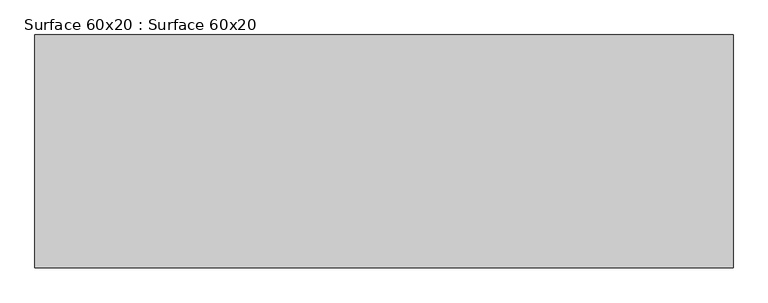
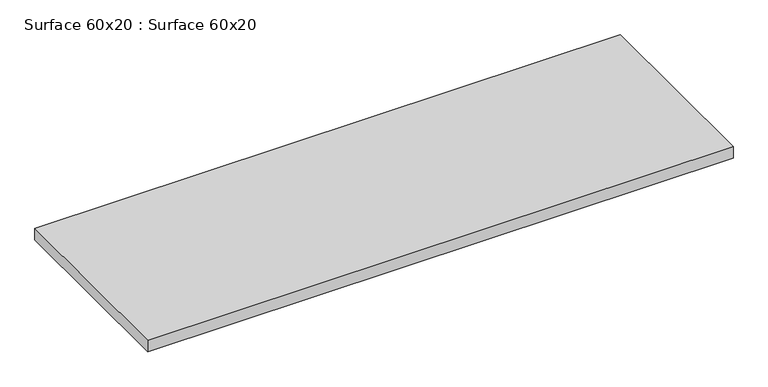
"""IFC4 building model written with IfcOpenShell, lengths in millimetres: furniture geometry, Surface 60x20 : Surface 60x20."""

from ifc_helpers import new_model, si_unit, frame, origin, place, context, project, spatial, polyline, outline, extrude, source, transform, mapped, element, save


def surface_60x20_surface_60x20_5997b447(model_context):
    return source(origin(), model_context, "Body", "SweptSolid", [
        extrude(outline(polyline([(564.3566554, 971.5919468), (564.3566554, 463.5919468), (-959.6433446, 463.5919468), (-959.6433446, 971.5919468), (564.3566554, 971.5919468)])), frame((0.0, 0.0, 707.009), z_axis=(0.0, 0.0, 1.0), x_axis=(1.0, 0.0, 0.0)), (0.0, 0.0, 1.0), 31.75),
    ])


if __name__ == "__main__":
    model = new_model("IFC4")
    model_context = context("Model", 3, world=origin())
    ifc_project = project(units=[si_unit("LENGTHUNIT", "METRE", prefix="MILLI")], contexts=[model_context])
    site = spatial("IfcSite", under=ifc_project)
    building = spatial("IfcBuilding", under=site)
    placement = place(None, origin())
    surface_60x20_surface_60x20_shape = surface_60x20_surface_60x20_5997b447(model_context)
    element("IfcFurniture", 1, ObjectType="Surface 60x20 : Surface 60x20", at=placement, inside=building, context=model_context, shape_type="MappedRepresentation", body=[
        mapped(surface_60x20_surface_60x20_shape, transform((0.0, 0.0, 0.0), x_axis=(1.0, 0.0, 0.0), y_axis=(0.0, 1.0, 0.0), z_axis=(0.0, 0.0, 1.0))),
    ])
    save(model, "model.ifc")
